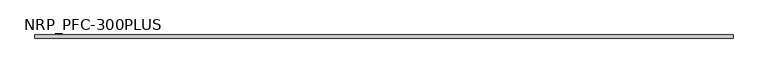
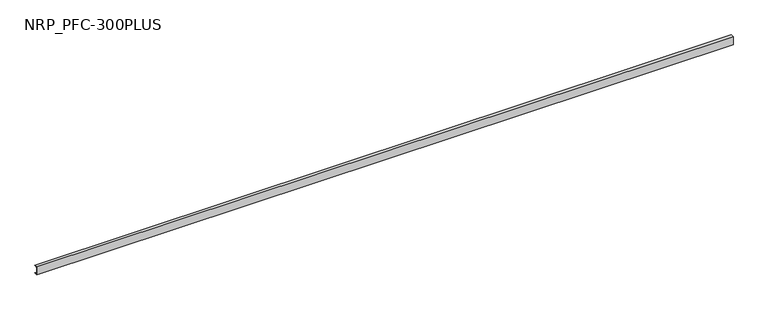
"""IFC4 building model written with IfcOpenShell, lengths in millimetres: beam geometry, NRP_PFC-300PLUS."""

from ifc_helpers import new_model, si_unit, point, frame, frame_2d, origin, place, context, project, spatial, polyline, circle_curve, trimmed, segment, composite_curve, outline, extrude, source, transform, mapped, element, save


def nrp_pfc_300plus_67871e7d(model_context):
    return source(origin(), model_context, "Body", "SweptSolid", [
        extrude(outline(composite_curve([segment(polyline([(-24.4, 100.0), (50.6, 100.0), (50.6, 88.0), (-6.4, 88.0)]), True, "CONTINUOUS"), segment(trimmed(circle_curve(frame_2d((-6.4, 76.0)), 12.0), [point((-6.4, 88.0))], [point((-18.4, 76.0))], True, "CARTESIAN"), True, "CONTINUOUS"), segment(polyline([(-18.4, 76.0), (-18.4, -76.0)]), True, "CONTINUOUS"), segment(trimmed(circle_curve(frame_2d((-6.4, -76.0)), 12.0), [point((-18.4, -76.0))], [point((-6.4, -88.0))], True, "CARTESIAN"), True, "CONTINUOUS"), segment(polyline([(-6.4, -88.0), (50.6, -88.0), (50.6, -100.0), (-24.4, -100.0), (-24.4, 100.0)]), True, "CONTINUOUS")], self_intersect=False)), frame((-8306.0, 0.0, 0.0), z_axis=(1.0, 0.0, 0.0), x_axis=(0.0, 1.0, 0.0)), (0.0, 0.0, 1.0), 16519.0),
    ])


if __name__ == "__main__":
    model = new_model("IFC4")
    model_context = context("Model", 3, world=origin())
    ifc_project = project(units=[si_unit("LENGTHUNIT", "METRE", prefix="MILLI")], contexts=[model_context])
    site = spatial("IfcSite", under=ifc_project)
    building = spatial("IfcBuilding", under=site)
    placement = place(None, origin())
    nrp_pfc_300plus_shape = nrp_pfc_300plus_67871e7d(model_context)
    element("IfcBeam", 1, ObjectType="NRP_PFC-300PLUS", at=placement, inside=building, context=model_context, shape_type="MappedRepresentation", body=[
        mapped(nrp_pfc_300plus_shape, transform((0.0, 0.0, 0.0), x_axis=(1.0, 0.0, 0.0), y_axis=(0.0, 1.0, 0.0), z_axis=(0.0, 0.0, 1.0))),
    ])
    save(model, "model.ifc")
